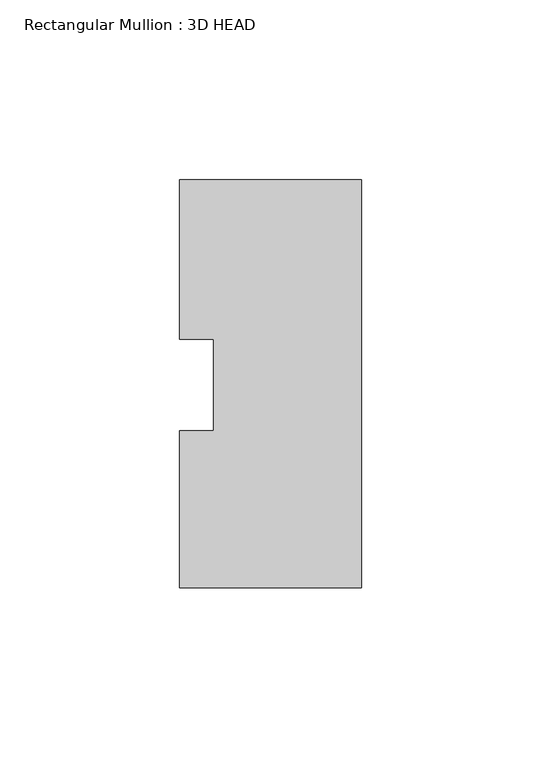
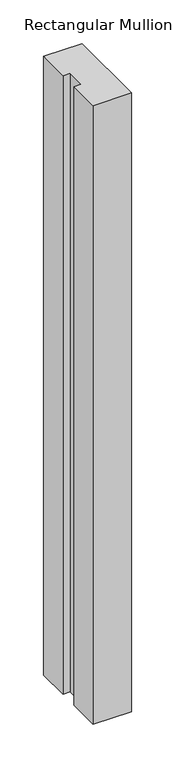
"""IFC4 building model written with IfcOpenShell, lengths in millimetres: member geometry, Rectangular Mullion : 3D HEAD."""

from ifc_helpers import new_model, si_unit, frame, origin, place, context, project, spatial, polyline, outline, extrude, source, transform, mapped, element, save


def rectangular_mullion_3d_head_97e51604(model_context):
    return source(origin(), model_context, "Body", "SweptSolid", [
        extrude(outline(polyline([(0.0, -56.4681052), (-50.8, -56.4681052), (-50.8, -12.6827714), (-41.275, -12.6827714), (-41.275, 12.8118553), (-50.8, 12.8118553), (-50.8, 57.2618553), (0.0, 57.2618553), (0.0, -56.4681052)])), frame((0.0, 0.0, -865.4875586), z_axis=(0.0, 0.0, 1.0), x_axis=(1.0, 0.0, 0.0)), (0.0, 0.0, 1.0), 865.4875586),
    ])


if __name__ == "__main__":
    model = new_model("IFC4")
    model_context = context("Model", 3, world=origin())
    ifc_project = project(units=[si_unit("LENGTHUNIT", "METRE", prefix="MILLI")], contexts=[model_context])
    site = spatial("IfcSite", under=ifc_project)
    building = spatial("IfcBuilding", under=site)
    placement = place(None, origin())
    rectangular_mullion_3d_head_shape = rectangular_mullion_3d_head_97e51604(model_context)
    element("IfcMember", 1, ObjectType="Rectangular Mullion : 3D HEAD", at=placement, inside=building, context=model_context, shape_type="MappedRepresentation", body=[
        mapped(rectangular_mullion_3d_head_shape, transform((0.0, 0.0, 0.0), x_axis=(1.0, 0.0, 0.0), y_axis=(0.0, 1.0, 0.0), z_axis=(0.0, 0.0, 1.0))),
    ])
    save(model, "model.ifc")
